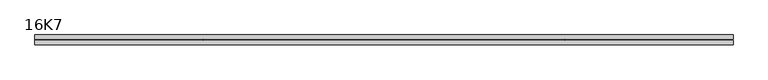
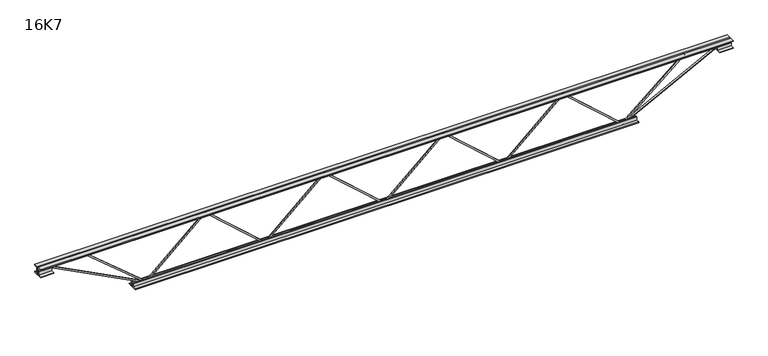
"""IFC4 building model written with IfcOpenShell, lengths in millimetres: beam geometry, 16K7."""

import ifcopenshell
import ifcopenshell.guid

model = None  # the IFC model being written
_history = None  # IfcOwnerHistory: only IFC2X3 demands one
_inside = {}  # id of a spatial element -> (the spatial element, [elements in it])
_under = {}  # id of a project, library or spatial element -> (it, [spatial elements below it])
_declared = {}  # id of a project -> (the project, [libraries it declares])
_typed = {}  # id of a type object -> (the type object, [elements of that type])
_made_of = {}  # id of a material, layer set ... -> (it, [elements and type objects made of it])


def new_model(schema):
    """Start an empty IFC model of exactly this schema.

    Asked for "IFC4X3", IfcOpenShell would pick the latest addendum, in which some entities
    have other attributes; the version numbers below select the first issue.
    IFC2X3 requires an IfcOwnerHistory on every rooted entity: one is made here for all.
    """
    global model, _history
    if schema == "IFC4X3":
        model = ifcopenshell.file(schema_version=(4, 3, 0, 0))
    else:
        model = ifcopenshell.file(schema=schema)
    _inside.clear()
    _under.clear()
    _declared.clear()
    _typed.clear()
    _made_of.clear()
    _history = None
    if model.schema == "IFC2X3":
        org = make("IfcOrganization", Name="unknown")
        user = make(
            "IfcPersonAndOrganization",
            ThePerson=make("IfcPerson", FamilyName="unknown"),
            TheOrganization=org,
        )
        app = make(
            "IfcApplication",
            ApplicationDeveloper=org,
            Version="unknown",
            ApplicationFullName="unknown",
            ApplicationIdentifier="unknown",
        )
        _history = make(
            "IfcOwnerHistory",
            OwningUser=user,
            OwningApplication=app,
            ChangeAction="ADDED",
            CreationDate=0,
        )
    return model


def make(cls, **values):
    """One entity of the class cls with the attributes given. An attribute that is None is left unset."""
    return model.create_entity(
        cls, **{name: value for name, value in values.items() if value is not None}
    )


def rooted(cls, **values):
    """An entity with a GlobalId (a new one), such as an element, a storey or a relation."""
    return make(cls, GlobalId=ifcopenshell.guid.new(), OwnerHistory=_history, **values)


def si_unit(unit_type, name, prefix=None):
    """IfcSIUnit, for example si_unit("LENGTHUNIT", "METRE", prefix="MILLI")."""
    return make("IfcSIUnit", UnitType=unit_type, Prefix=prefix, Name=name)


def assignment(units):
    """IfcUnitAssignment: the units of a project."""
    return None if units is None else make("IfcUnitAssignment", Units=units)


def point(xyz):
    """IfcCartesianPoint."""
    return None if xyz is None else make("IfcCartesianPoint", Coordinates=xyz)


def direction(xyz):
    """IfcDirection."""
    return None if xyz is None else make("IfcDirection", DirectionRatios=xyz)


def frame(location, z_axis=None, x_axis=None):
    """IfcAxis2Placement3D, a coordinate frame: its origin and axes. An axis left out is left unset."""
    return make(
        "IfcAxis2Placement3D",
        Location=point(location),
        Axis=direction(z_axis),
        RefDirection=direction(x_axis),
    )


def origin():
    """The frame at (0, 0, 0) with its axes left unset."""
    return frame((0.0, 0.0, 0.0))


def place(relative_to, where):
    """IfcLocalPlacement: puts the frame where relative to a parent placement (None: the world)."""
    return make(
        "IfcLocalPlacement", PlacementRelTo=relative_to, RelativePlacement=where
    )


def context(
    kind, dimensions, precision=None, world=None, true_north=None, identifier=None
):
    """IfcGeometricRepresentationContext, for example the 3D "Model" context."""
    return make(
        "IfcGeometricRepresentationContext",
        ContextIdentifier=identifier,
        ContextType=kind,
        CoordinateSpaceDimension=dimensions,
        Precision=precision,
        WorldCoordinateSystem=world,
        TrueNorth=true_north,
    )


def project(units=None, contexts=None):
    """IfcProject with its units and contexts."""
    return rooted(
        "IfcProject",
        Name="project",
        RepresentationContexts=contexts,
        UnitsInContext=assignment(units),
    )


def spatial(cls, under=None, at=None, **own):
    """A site, building, storey or space (cls), placed at a placement, below another one or the project."""
    s = rooted(cls, ObjectPlacement=at, **own)
    if under is not None:
        _under.setdefault(under.id(), (under, []))[1].append(s)
    return s


def polyline(points):
    """IfcPolyline through the points."""
    return make("IfcPolyline", Points=[point(p) for p in points])


def outline(outer, holes=None, kind="AREA"):
    """IfcArbitraryClosedProfileDef: a profile drawn as a closed curve; with holes, ...WithVoids."""
    if holes is None:
        return make("IfcArbitraryClosedProfileDef", ProfileType=kind, OuterCurve=outer)
    return make(
        "IfcArbitraryProfileDefWithVoids",
        ProfileType=kind,
        OuterCurve=outer,
        InnerCurves=holes,
    )


def extrude(swept, where, along, depth):
    """IfcExtrudedAreaSolid: the profile swept, set in the frame where, extruded along a direction by depth."""
    return make(
        "IfcExtrudedAreaSolid",
        SweptArea=swept,
        Position=where,
        ExtrudedDirection=direction(along),
        Depth=depth,
    )


def shape(context_of_items, identifier, shape_type, items):
    """IfcShapeRepresentation: the items that make up one representation, for example the "Body"."""
    return make(
        "IfcShapeRepresentation",
        ContextOfItems=context_of_items,
        RepresentationIdentifier=identifier,
        RepresentationType=shape_type,
        Items=items,
    )


def source(mapping_origin, context_of_items, identifier, shape_type, items):
    """IfcRepresentationMap: a shape defined once, which mapped items show again and again."""
    return make(
        "IfcRepresentationMap",
        MappingOrigin=mapping_origin,
        MappedRepresentation=shape(context_of_items, identifier, shape_type, items),
    )


def transform(
    local_origin,
    x_axis=None,
    y_axis=None,
    z_axis=None,
    scale=None,
    scale2=None,
    scale3=None,
    uniform=True,
):
    """IfcCartesianTransformationOperator3D, or its non-uniform kind. x_axis, y_axis, z_axis: its Axis1, 2, 3."""
    if uniform:
        return make(
            "IfcCartesianTransformationOperator3D",
            Axis1=direction(x_axis),
            Axis2=direction(y_axis),
            LocalOrigin=point(local_origin),
            Scale=scale,
            Axis3=direction(z_axis),
        )
    return make(
        "IfcCartesianTransformationOperator3DnonUniform",
        Axis1=direction(x_axis),
        Axis2=direction(y_axis),
        LocalOrigin=point(local_origin),
        Scale=scale,
        Axis3=direction(z_axis),
        Scale2=scale2,
        Scale3=scale3,
    )


def mapped(mapping_source, mapping_target):
    """IfcMappedItem: shows the shape of a source again, moved by a transform."""
    return make(
        "IfcMappedItem", MappingSource=mapping_source, MappingTarget=mapping_target
    )


def made_of(thing, what):
    """Note that an element or type object is made of a material, layer set ...; save() writes the relation."""
    if what is not None:
        _made_of.setdefault(what.id(), (what, []))[1].append(thing)
    return thing


def element(
    cls,
    number,
    at=None,
    inside=None,
    cuts=None,
    type_object=None,
    material=None,
    context=None,
    identifier="Body",
    shape_type=None,
    held_by="IfcProductDefinitionShape",
    body=None,
    shapes=None,
    **own,
):
    """One element of the class cls, such as IfcWall. Its Tag is "e" and its number.

    at: its placement. inside: the storey or other place that contains it. cuts: it is an
    opening in that element (IfcRelVoidsElement). A single representation is given by context,
    identifier, shape_type and body (its items); several are given by shapes. held_by: the class
    of the entity that holds the representations. save() writes the other relations.
    """
    e = rooted(cls, Tag="e%d" % number, ObjectPlacement=at, **own)
    if body is not None:
        shapes = [shape(context, identifier, shape_type, body)]
    if shapes is not None:
        e.Representation = make(held_by, Representations=shapes)
    if inside is not None:
        _inside.setdefault(inside.id(), (inside, []))[1].append(e)
    if cuts is not None:
        rooted(
            "IfcRelVoidsElement", RelatingBuildingElement=cuts, RelatedOpeningElement=e
        )
    if type_object is not None:
        _typed.setdefault(type_object.id(), (type_object, []))[1].append(e)
    return made_of(e, material)


def aggregate(whole, parts):
    """IfcRelAggregates: a whole, such as a stair, and the parts it consists of."""
    return rooted("IfcRelAggregates", RelatingObject=whole, RelatedObjects=parts)


def save(model, path):
    """Write the relations noted so far, then the file.

    IfcRelAggregates (storeys below a building ...), IfcRelContainedInSpatialStructure (elements
    in a storey), IfcRelDefinesByType, IfcRelAssociatesMaterial and IfcRelDeclares: one each for
    every whole, place, type object, material and project.
    """
    for whole, parts in _under.values():
        aggregate(whole, parts)
    for where, things in _inside.values():
        rooted(
            "IfcRelContainedInSpatialStructure",
            RelatedElements=things,
            RelatingStructure=where,
        )
    for kind, things in _typed.values():
        rooted("IfcRelDefinesByType", RelatedObjects=things, RelatingType=kind)
    for what, things in _made_of.values():
        rooted("IfcRelAssociatesMaterial", RelatedObjects=things, RelatingMaterial=what)
    for by, libraries in _declared.values():
        rooted("IfcRelDeclares", RelatingContext=by, RelatedDefinitions=libraries)
    model.write(path)


def beam_16k7_96c18151(model_context):
    return source(origin(), model_context, "Body", "SweptSolid", [
        extrude(outline(polyline([(-191.9, 0.0), (-201.4, 0.0), (-201.4, 4.9799939), (191.9, 447.7549939), (191.9, 450.4950061), (-201.4, 893.2700061), (-201.4, 898.25), (-191.9, 898.25), (-191.9, 896.8799939), (201.4, 454.1049939), (201.4, 444.1450061), (-191.9, 1.3700061), (-191.9, 0.0)])), frame((0.0, -4.75, 0.0), z_axis=(0.0, 1.0, 0.0), x_axis=(0.0, 0.0, 1.0)), (0.0, 0.0, 1.0), 9.5),
        extrude(outline(polyline([(-191.9, -898.25), (-201.4, -898.25), (-201.4, -893.2700061), (191.9, -450.4950061), (191.9, -447.7549939), (-201.4, -4.9799939), (-201.4, 0.0), (-191.9, 0.0), (-191.9, -1.3700061), (201.4, -444.1450061), (201.4, -454.1049939), (-191.9, -896.8799939), (-191.9, -898.25)])), frame((0.0, -4.75, 0.0), z_axis=(0.0, 1.0, 0.0), x_axis=(0.0, 0.0, 1.0)), (0.0, 0.0, 1.0), 9.5),
        extrude(outline(polyline([(-191.9, 898.25), (-201.4, 898.25), (-201.4, 903.2299939), (191.9, 1346.0049939), (191.9, 1348.7450061), (-201.4, 1791.5200061), (-201.4, 1796.5), (-191.9, 1796.5), (-191.9, 1795.1299939), (201.4, 1352.3549939), (201.4, 1342.3950061), (-191.9, 899.6200061), (-191.9, 898.25)])), frame((0.0, -4.75, 0.0), z_axis=(0.0, 1.0, 0.0), x_axis=(0.0, 0.0, 1.0)), (0.0, 0.0, 1.0), 9.5),
        extrude(outline(polyline([(-191.9, -1796.5), (-201.4, -1796.5), (-201.4, -1791.5200061), (191.9, -1348.7450061), (191.9, -1346.0049939), (-201.4, -903.2299939), (-201.4, -898.25), (-191.9, -898.25), (-191.9, -899.6200061), (201.4, -1342.3950061), (201.4, -1352.3549939), (-191.9, -1795.1299939), (-191.9, -1796.5)])), frame((0.0, -4.75, 0.0), z_axis=(0.0, 1.0, 0.0), x_axis=(0.0, 0.0, 1.0)), (0.0, 0.0, 1.0), 9.5),
        extrude(outline(polyline([(4.75, 203.0), (36.75, 203.0), (36.75, 196.5), (11.25, 196.5), (11.25, 171.0), (4.75, 171.0), (4.75, 203.0)])), frame((-2608.5, 0.0, 0.0), z_axis=(1.0, 0.0, 0.0), x_axis=(0.0, 1.0, 0.0)), (0.0, 0.0, 1.0), 5217.0),
        extrude(outline(polyline([(-4.75, 203.0), (-4.75, 171.0), (-11.25, 171.0), (-11.25, 196.5), (-36.75, 196.5), (-36.75, 203.0), (-4.75, 203.0)])), frame((-2608.5, 0.0, 0.0), z_axis=(1.0, 0.0, 0.0), x_axis=(0.0, 1.0, 0.0)), (0.0, 0.0, 1.0), 5217.0),
        extrude(outline(polyline([(-4.75, 139.5), (-36.75, 139.5), (-36.75, 146.0), (-11.25, 146.0), (-11.25, 171.0), (-4.75, 171.0), (-4.75, 139.5)])), frame((-2608.5, 0.0, 0.0), z_axis=(1.0, 0.0, 0.0), x_axis=(0.0, 1.0, 0.0)), (0.0, 0.0, 1.0), 100.0),
        extrude(outline(polyline([(36.75, 139.5), (4.75, 139.5), (4.75, 171.0), (11.25, 171.0), (11.25, 146.0), (36.75, 146.0), (36.75, 139.5)])), frame((-2608.5, 0.0, 0.0), z_axis=(1.0, 0.0, 0.0), x_axis=(0.0, 1.0, 0.0)), (0.0, 0.0, 1.0), 100.0),
        extrude(outline(polyline([(4.75, 139.5), (4.75, 171.0), (11.25, 171.0), (11.25, 146.0), (36.75, 146.0), (36.75, 139.5), (4.75, 139.5)])), frame((2508.5, 0.0, 0.0), z_axis=(1.0, 0.0, 0.0), x_axis=(0.0, 1.0, 0.0)), (0.0, 0.0, 1.0), 100.0),
        extrude(outline(polyline([(-4.75, 139.5), (-36.75, 139.5), (-36.75, 146.0), (-11.25, 146.0), (-11.25, 171.0), (-4.75, 171.0), (-4.75, 139.5)])), frame((2508.5, 0.0, 0.0), z_axis=(1.0, 0.0, 0.0), x_axis=(0.0, 1.0, 0.0)), (0.0, 0.0, 1.0), 100.0),
        extrude(outline(polyline([(4.75, -203.0), (4.75, -171.0), (11.25, -171.0), (11.25, -196.5), (36.75, -196.5), (36.75, -203.0), (4.75, -203.0)])), frame((-1896.5, 0.0, 0.0), z_axis=(1.0, 0.0, 0.0), x_axis=(0.0, 1.0, 0.0)), (0.0, 0.0, 1.0), 3793.0),
        extrude(outline(polyline([(-4.75, -203.0), (-36.75, -203.0), (-36.75, -196.5), (-11.25, -196.5), (-11.25, -171.0), (-4.75, -171.0), (-4.75, -203.0)])), frame((-1896.5, 0.0, 0.0), z_axis=(1.0, 0.0, 0.0), x_axis=(0.0, 1.0, 0.0)), (0.0, 0.0, 1.0), 3793.0),
        extrude(outline(polyline([(-200.8705467, -1798.6793315), (-192.4294533, -1794.3206685), (175.75, -2507.3460208), (175.75, -2608.5), (166.25, -2608.5), (166.25, -2509.6539792), (-200.8705467, -1798.6793315)])), frame((0.0, -4.75, 0.0), z_axis=(0.0, 1.0, 0.0), x_axis=(0.0, 0.0, 1.0)), (0.0, 0.0, 1.0), 9.5),
        extrude(outline(polyline([(188.7, -2265.5821429), (179.2, -2265.5821429), (179.2, -2254.6028578), (-200.2979441, -1799.5422038), (-193.0020559, -1793.4577962), (188.7, -2251.1614279), (188.7, -2265.5821429)])), frame((0.0, -4.75, 0.0), z_axis=(0.0, 1.0, 0.0), x_axis=(0.0, 0.0, 1.0)), (0.0, 0.0, 1.0), 9.5),
        extrude(outline(polyline([(0.0, -9.5), (0.0, 0.0), (801.3179909, 0.0), (801.3179909, -9.5), (0.0, -9.5)])), frame((2510.6793315, -4.75, 166.7794533), z_axis=(-0.45880662132449557, 0.0, 0.8885361468329811), x_axis=(-0.8885361468329811, 0.0, -0.45880662132449557)), (0.0, 0.0, 1.0), 9.5),
        extrude(outline(polyline([(0.0, -9.5), (0.0, 0.0), (607.9854252, 0.0), (607.9854252, -9.5), (0.0, -9.5)])), frame((2263.2120156, -4.75, 193.0277312), z_axis=(-0.6468905070705467, 0.0, 0.7625828950756834), x_axis=(-0.7625828950756834, 0.0, -0.6468905070705467)), (0.0, 0.0, 1.0), 9.5),
    ])


if __name__ == "__main__":
    model = new_model("IFC4")
    model_context = context("Model", 3, world=origin())
    ifc_project = project(units=[si_unit("LENGTHUNIT", "METRE", prefix="MILLI")], contexts=[model_context])
    site = spatial("IfcSite", under=ifc_project)
    building = spatial("IfcBuilding", under=site)
    placement = place(None, origin())
    beam_16k7_shape = beam_16k7_96c18151(model_context)
    element("IfcBeam", 1, ObjectType="16K7", at=placement, inside=building, context=model_context, shape_type="MappedRepresentation", body=[
        mapped(beam_16k7_shape, transform((0.0, 0.0, 0.0), x_axis=(1.0, 0.0, 0.0), y_axis=(0.0, 1.0, 0.0), z_axis=(0.0, 0.0, 1.0))),
    ])
    save(model, "model.ifc")
